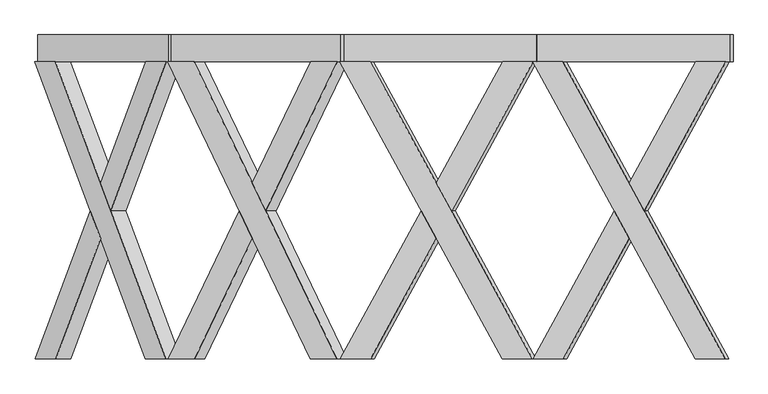
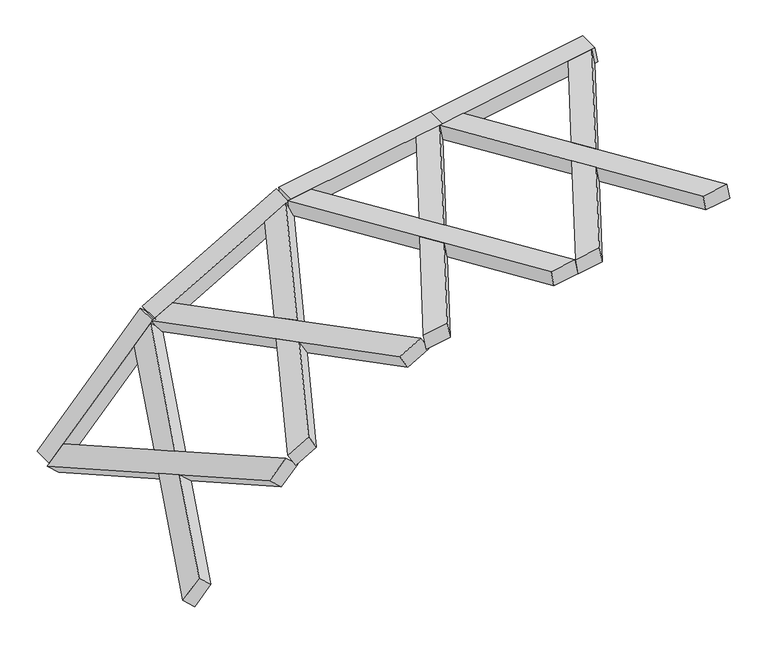
"""IFC4 building model written with IfcOpenShell, lengths in millimetres: proxy geometry."""

from ifc_helpers import new_model, si_unit, frame, origin, place, context, project, spatial, polyline, outline, extrude, faceted_brep, source, transform, mapped, element, save


def generic_models_0c44377e(model_context):
    return source(origin(), model_context, "Body", "SolidModel", [
        faceted_brep([(5102.31849, -100.0, 2243.304304), (3890.6200828, -2319.6837757, 2029.6491823), (3665.4232927, -2319.6837757, 1989.9409122), (4877.1216999, -100.0, 2203.5960339), (3639.3760661, -2319.6837757, 2137.6620752), (3864.5728562, -2319.6837757, 2177.3703452), (4355.488908, -1420.3854116, 2263.9320904), (4242.8905129, -1214.1188776, 2244.0779554), (5076.2712634, -100.0, 2391.0254669), (4851.0744733, -100.0, 2351.3171968), (4355.488908, -1007.8523437, 2263.9320904), (4468.087303, -1214.1188776, 2283.7862255), (4255.9141263, -1214.1188776, 2170.2173739), (4368.5125213, -1007.8523437, 2190.071509), (4481.1109164, -1214.1188776, 2209.925644), (4368.5125213, -1420.3854116, 2190.071509)], [[[0, 1, 2, 3]], [[4, 5, 6, 7]], [[8, 9, 10, 11]], [[0, 3, 9, 8]], [[3, 2, 4, 7, 12, 13, 10, 9]], [[2, 1, 5, 4]], [[1, 0, 8, 11, 14, 15, 6, 5]], [[12, 15, 14, 13]], [[13, 14, 11, 10]], [[15, 12, 7, 6]]]),
        faceted_brep([(3660.7537792, -100.0, 1989.117551), (3885.9505693, -100.0, 2028.8258211), (4381.5361346, -1007.8523437, 2116.2109275), (4268.9377396, -1214.1188776, 2096.3567925), (5097.6489765, -2319.6837757, 2242.4809427), (4872.4521864, -2319.6837757, 2202.7726727), (4381.5361346, -1420.3854116, 2116.2109275), (4494.1345297, -1214.1188776, 2136.0650625), (3634.7065526, -100.0, 2136.838714), (4846.4049598, -2319.6837757, 2350.4938356), (5071.6017499, -2319.6837757, 2390.2021057), (3859.9033427, -100.0, 2176.546984), (4481.1109164, -1214.1188776, 2209.925644), (4368.5125213, -1007.8523437, 2190.071509), (4255.9141263, -1214.1188776, 2170.2173739), (4368.5125213, -1420.3854116, 2190.071509)], [[[0, 1, 2, 3]], [[4, 5, 6, 7]], [[8, 9, 10, 11]], [[1, 0, 8, 11]], [[11, 10, 4, 7, 12, 13, 2, 1]], [[5, 4, 10, 9]], [[9, 8, 0, 3, 14, 15, 6, 5]], [[12, 15, 14, 13]], [[13, 14, 3, 2]], [[15, 12, 7, 6]]]),
        extrude(outline(polyline([(0.0, -200.0), (0.0, 0.0), (1460.0, 0.0), (1460.0, -200.0), (0.0, -200.0)])), frame((5129.9900269, -100.0, 2248.1835425), z_axis=(-0.17364817766692697, 0.0, 0.9848077530122087), x_axis=(-0.9848077530122087, 0.0, -0.17364817766692697)), (0.0, 0.0, 1.0), 150.0),
        faceted_brep([(3664.4991706, -100.0, 1989.7779646), (2452.8007634, -2319.6837757, 1776.1228429), (2227.6039733, -2319.6837757, 1736.4145728), (3439.3023806, -100.0, 1950.0696945), (2201.5567467, -2319.6837757, 1884.1357358), (2426.7535368, -2319.6837757, 1923.8440058), (2917.6695886, -1420.3854116, 2010.405751), (2805.0711935, -1214.1188776, 1990.551616), (3638.451944, -100.0, 2137.4991275), (3413.2551539, -100.0, 2097.7908575), (2917.6695886, -1007.8523437, 2010.405751), (3030.2679836, -1214.1188776, 2030.2598861), (2818.0948069, -1214.1188776, 1916.6910345), (2930.6932019, -1007.8523437, 1936.5451696), (3043.291597, -1214.1188776, 1956.3993046), (2930.6932019, -1420.3854116, 1936.5451696)], [[[0, 1, 2, 3]], [[4, 5, 6, 7]], [[8, 9, 10, 11]], [[0, 3, 9, 8]], [[3, 2, 4, 7, 12, 13, 10, 9]], [[2, 1, 5, 4]], [[1, 0, 8, 11, 14, 15, 6, 5]], [[12, 15, 14, 13]], [[13, 14, 11, 10]], [[15, 12, 7, 6]]]),
        faceted_brep([(2222.9344598, -100.0, 1735.5912116), (2448.1312499, -100.0, 1775.2994817), (2943.7168152, -1007.8523437, 1862.6845881), (2831.1184202, -1214.1188776, 1842.8304531), (3659.8296571, -2319.6837757, 1988.9546033), (3434.632867, -2319.6837757, 1949.2463333), (2943.7168152, -1420.3854116, 1862.6845881), (3056.3152103, -1214.1188776, 1882.5387231), (2196.8872332, -100.0, 1883.3123746), (3408.5856404, -2319.6837757, 2096.9674962), (3633.7824305, -2319.6837757, 2136.6757663), (2422.0840233, -100.0, 1923.0206446), (3043.291597, -1214.1188776, 1956.3993046), (2930.6932019, -1007.8523437, 1936.5451696), (2818.0948069, -1214.1188776, 1916.6910345), (2930.6932019, -1420.3854116, 1936.5451696)], [[[0, 1, 2, 3]], [[4, 5, 6, 7]], [[8, 9, 10, 11]], [[1, 0, 8, 11]], [[11, 10, 4, 7, 12, 13, 2, 1]], [[5, 4, 10, 9]], [[9, 8, 0, 3, 14, 15, 6, 5]], [[12, 15, 14, 13]], [[13, 14, 3, 2]], [[15, 12, 7, 6]]]),
        extrude(outline(polyline([(0.0, -200.0), (0.0, 0.0), (1460.0, 0.0), (1460.0, -200.0), (0.0, -200.0)])), frame((3692.1707075, -100.0, 1994.6572031), z_axis=(-0.1736481776669273, 0.0, 0.9848077530122087), x_axis=(-0.9848077530122087, 0.0, -0.1736481776669273)), (0.0, 0.0, 1.0), 150.0),
        faceted_brep([(2254.4938337, -100.0, 1735.9903324), (1188.9441371, -2319.6837757, 1120.7949283), (990.9094035, -2319.6837757, 1006.4595215), (2056.4591, -100.0, 1621.6549257), (915.9094035, -2319.6837757, 1136.3633321), (1113.9441371, -2319.6837757, 1250.6987389), (1545.6484679, -1420.3854116, 1499.9433505), (1446.6311011, -1214.1188776, 1442.7756471), (2179.4938337, -100.0, 1865.894143), (1981.4591, -100.0, 1751.5587362), (1545.6484679, -1007.8523437, 1499.9433505), (1644.6658348, -1214.1188776, 1557.1110539), (1484.1311011, -1214.1188776, 1377.8237418), (1583.1484679, -1007.8523437, 1434.9914452), (1682.1658348, -1214.1188776, 1492.1591486), (1583.1484679, -1420.3854116, 1434.9914452)], [[[0, 1, 2, 3]], [[4, 5, 6, 7]], [[8, 9, 10, 11]], [[0, 3, 9, 8]], [[3, 2, 4, 7, 12, 13, 10, 9]], [[2, 1, 5, 4]], [[1, 0, 8, 11, 14, 15, 6, 5]], [[12, 15, 14, 13]], [[13, 14, 11, 10]], [[15, 12, 7, 6]]]),
        faceted_brep([(986.8031022, -100.0, 1004.0887474), (1184.8378359, -100.0, 1118.4241542), (1620.6484679, -1007.8523437, 1370.0395399), (1521.6311011, -1214.1188776, 1312.8718365), (2250.3875324, -2319.6837757, 1733.6195583), (2052.3527987, -2319.6837757, 1619.2841515), (1620.6484679, -1420.3854116, 1370.0395399), (1719.6658348, -1214.1188776, 1427.2072433), (911.8031022, -100.0, 1133.992558), (1977.3527987, -2319.6837757, 1749.1879621), (2175.3875324, -2319.6837757, 1863.5233689), (1109.8378359, -100.0, 1248.3279647), (1682.1658348, -1214.1188776, 1492.1591486), (1583.1484679, -1007.8523437, 1434.9914452), (1484.1311011, -1214.1188776, 1377.8237418), (1583.1484679, -1420.3854116, 1434.9914452)], [[[0, 1, 2, 3]], [[4, 5, 6, 7]], [[8, 9, 10, 11]], [[1, 0, 8, 11]], [[11, 10, 4, 7, 12, 13, 2, 1]], [[5, 4, 10, 9]], [[9, 8, 0, 3, 14, 15, 6, 5]], [[12, 15, 14, 13]], [[13, 14, 3, 2]], [[15, 12, 7, 6]]]),
        extrude(outline(polyline([(0.0, -200.0), (0.0, 0.0), (1460.0, 0.0), (1460.0, -200.0), (0.0, -200.0)])), frame((2278.8277748, -100.0, 1750.0395399), z_axis=(-0.49999999999999967, 0.0, 0.8660254037844389), x_axis=(-0.8660254037844389, 0.0, -0.49999999999999967)), (0.0, 0.0, 1.0), 150.0),
        faceted_brep([(1013.8650378, -100.0, 1013.9254581), (190.5728902, -2319.6837757, 99.5668956), (37.56225, -2319.6837757, -70.3686363), (860.8543976, -100.0, 843.9899262), (-73.9094738, -2319.6837757, 30.0009547), (79.1011664, -2319.6837757, 199.9364865), (412.6555625, -1420.3854116, 570.3861733), (336.1502425, -1214.1188776, 485.4184074), (902.3933139, -100.0, 1114.295049), (749.3826738, -100.0, 944.3595172), (412.6555625, -1007.8523437, 570.3861733), (489.1608826, -1214.1188776, 655.3539392), (391.8861044, -1214.1188776, 435.2336119), (468.3914245, -1007.8523437, 520.2013778), (544.8967445, -1214.1188776, 605.1691438), (468.3914245, -1420.3854116, 520.2013778)], [[[0, 1, 2, 3]], [[4, 5, 6, 7]], [[8, 9, 10, 11]], [[0, 3, 9, 8]], [[3, 2, 4, 7, 12, 13, 10, 9]], [[2, 1, 5, 4]], [[1, 0, 8, 11, 14, 15, 6, 5]], [[12, 15, 14, 13]], [[13, 14, 11, 10]], [[15, 12, 7, 6]]]),
        faceted_brep([(34.389535, -100.0, -73.8922933), (187.4001751, -100.0, 96.0432385), (524.1272864, -1007.8523437, 470.0165824), (447.6219663, -1214.1188776, 385.0488164), (1010.6923227, -2319.6837757, 1010.401801), (857.6816825, -2319.6837757, 840.4662691), (524.1272864, -1420.3854116, 470.0165824), (600.6326064, -1214.1188776, 554.9843483), (-77.0821889, -100.0, 26.4772976), (746.2099587, -2319.6837757, 940.8358601), (899.2205989, -2319.6837757, 1110.7713919), (75.9284513, -100.0, 196.4128295), (544.8967445, -1214.1188776, 605.1691438), (468.3914245, -1007.8523437, 520.2013778), (391.8861044, -1214.1188776, 435.2336119), (468.3914245, -1420.3854116, 520.2013778)], [[[0, 1, 2, 3]], [[4, 5, 6, 7]], [[8, 9, 10, 11]], [[1, 0, 8, 11]], [[11, 10, 4, 7, 12, 13, 2, 1]], [[5, 4, 10, 9]], [[9, 8, 0, 3, 14, 15, 6, 5]], [[12, 15, 14, 13]], [[13, 14, 3, 2]], [[15, 12, 7, 6]]]),
        extrude(outline(polyline([(-148.3871943, 0.0), (-148.3871943, -150.0), (-348.3871943, -150.0), (-348.3871943, 0.0), (-148.3871943, 0.0)])), frame((55.7358619, -248.3871943, -50.1847955), z_axis=(0.6691306063588589, 0.0, 0.7431448254773938), x_axis=(0.0, -1.0, 0.0)), (0.0, 0.0, 1.0), 1460.0),
    ])


if __name__ == "__main__":
    model = new_model("IFC4")
    model_context = context("Model", 3, world=origin())
    ifc_project = project(units=[si_unit("LENGTHUNIT", "METRE", prefix="MILLI")], contexts=[model_context])
    site = spatial("IfcSite", under=ifc_project)
    building = spatial("IfcBuilding", under=site)
    placement = place(None, origin())
    generic_models_shape = generic_models_0c44377e(model_context)
    element("IfcBuildingElementProxy", 1, Name="Generic Models", at=placement, inside=building, context=model_context, shape_type="MappedRepresentation", body=[
        mapped(generic_models_shape, transform((0.0, 0.0, 0.0), x_axis=(1.0, 0.0, 0.0), y_axis=(0.0, 1.0, 0.0), z_axis=(0.0, 0.0, 1.0))),
    ])
    save(model, "model.ifc")
